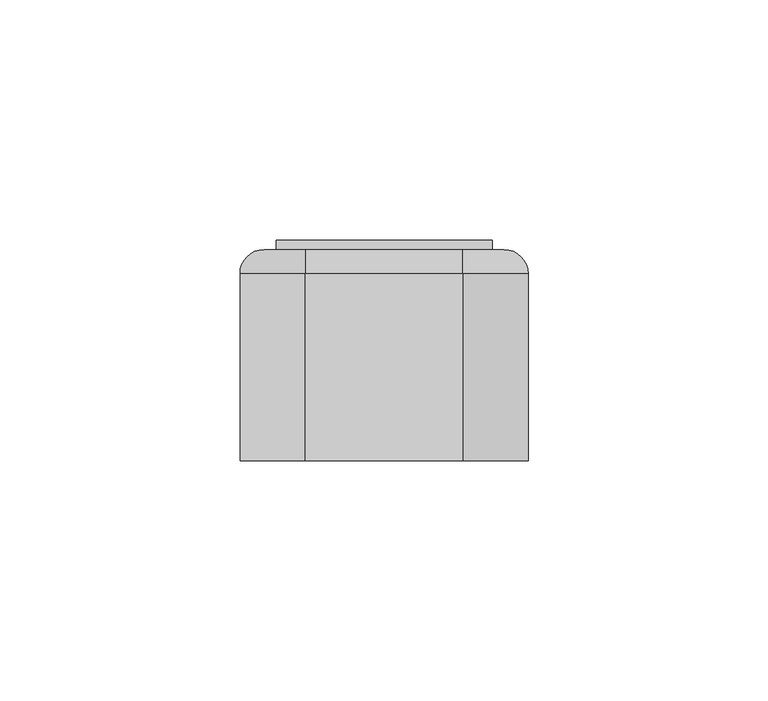
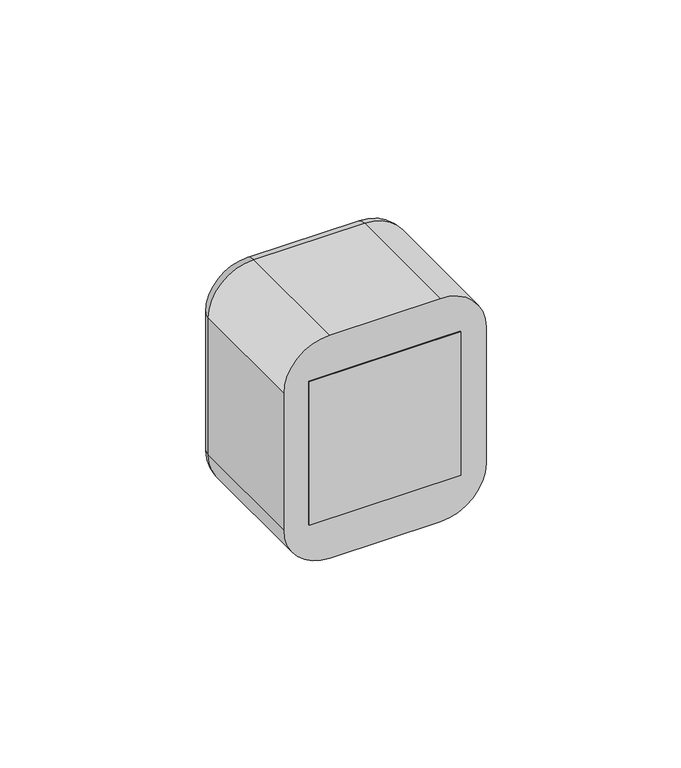
"""IFC4 building model written with IfcOpenShell, lengths in millimetres: proxy geometry."""

import ifcopenshell
import ifcopenshell.guid

model = None  # the IFC model being written
_history = None  # IfcOwnerHistory: only IFC2X3 demands one
_inside = {}  # id of a spatial element -> (the spatial element, [elements in it])
_under = {}  # id of a project, library or spatial element -> (it, [spatial elements below it])
_declared = {}  # id of a project -> (the project, [libraries it declares])
_typed = {}  # id of a type object -> (the type object, [elements of that type])
_made_of = {}  # id of a material, layer set ... -> (it, [elements and type objects made of it])


def new_model(schema):
    """Start an empty IFC model of exactly this schema.

    Asked for "IFC4X3", IfcOpenShell would pick the latest addendum, in which some entities
    have other attributes; the version numbers below select the first issue.
    IFC2X3 requires an IfcOwnerHistory on every rooted entity: one is made here for all.
    """
    global model, _history
    if schema == "IFC4X3":
        model = ifcopenshell.file(schema_version=(4, 3, 0, 0))
    else:
        model = ifcopenshell.file(schema=schema)
    _inside.clear()
    _under.clear()
    _declared.clear()
    _typed.clear()
    _made_of.clear()
    _history = None
    if model.schema == "IFC2X3":
        org = make("IfcOrganization", Name="unknown")
        user = make(
            "IfcPersonAndOrganization",
            ThePerson=make("IfcPerson", FamilyName="unknown"),
            TheOrganization=org,
        )
        app = make(
            "IfcApplication",
            ApplicationDeveloper=org,
            Version="unknown",
            ApplicationFullName="unknown",
            ApplicationIdentifier="unknown",
        )
        _history = make(
            "IfcOwnerHistory",
            OwningUser=user,
            OwningApplication=app,
            ChangeAction="ADDED",
            CreationDate=0,
        )
    return model


def make(cls, **values):
    """One entity of the class cls with the attributes given. An attribute that is None is left unset."""
    return model.create_entity(
        cls, **{name: value for name, value in values.items() if value is not None}
    )


def rooted(cls, **values):
    """An entity with a GlobalId (a new one), such as an element, a storey or a relation."""
    return make(cls, GlobalId=ifcopenshell.guid.new(), OwnerHistory=_history, **values)


def si_unit(unit_type, name, prefix=None):
    """IfcSIUnit, for example si_unit("LENGTHUNIT", "METRE", prefix="MILLI")."""
    return make("IfcSIUnit", UnitType=unit_type, Prefix=prefix, Name=name)


def assignment(units):
    """IfcUnitAssignment: the units of a project."""
    return None if units is None else make("IfcUnitAssignment", Units=units)


def point(xyz):
    """IfcCartesianPoint."""
    return None if xyz is None else make("IfcCartesianPoint", Coordinates=xyz)


def direction(xyz):
    """IfcDirection."""
    return None if xyz is None else make("IfcDirection", DirectionRatios=xyz)


def frame(location, z_axis=None, x_axis=None):
    """IfcAxis2Placement3D, a coordinate frame: its origin and axes. An axis left out is left unset."""
    return make(
        "IfcAxis2Placement3D",
        Location=point(location),
        Axis=direction(z_axis),
        RefDirection=direction(x_axis),
    )


def frame_2d(location, x_axis=None):
    """IfcAxis2Placement2D, a coordinate frame in the plane: its origin and x axis."""
    return make(
        "IfcAxis2Placement2D", Location=point(location), RefDirection=direction(x_axis)
    )


def origin():
    """The frame at (0, 0, 0) with its axes left unset."""
    return frame((0.0, 0.0, 0.0))


def origin_2d():
    """The frame at (0, 0) in the plane with its x axis left unset."""
    return frame_2d((0.0, 0.0))


def place(relative_to, where):
    """IfcLocalPlacement: puts the frame where relative to a parent placement (None: the world)."""
    return make(
        "IfcLocalPlacement", PlacementRelTo=relative_to, RelativePlacement=where
    )


def context(
    kind, dimensions, precision=None, world=None, true_north=None, identifier=None
):
    """IfcGeometricRepresentationContext, for example the 3D "Model" context."""
    return make(
        "IfcGeometricRepresentationContext",
        ContextIdentifier=identifier,
        ContextType=kind,
        CoordinateSpaceDimension=dimensions,
        Precision=precision,
        WorldCoordinateSystem=world,
        TrueNorth=true_north,
    )


def project(units=None, contexts=None):
    """IfcProject with its units and contexts."""
    return rooted(
        "IfcProject",
        Name="project",
        RepresentationContexts=contexts,
        UnitsInContext=assignment(units),
    )


def spatial(cls, under=None, at=None, **own):
    """A site, building, storey or space (cls), placed at a placement, below another one or the project."""
    s = rooted(cls, ObjectPlacement=at, **own)
    if under is not None:
        _under.setdefault(under.id(), (under, []))[1].append(s)
    return s


def polyline(points):
    """IfcPolyline through the points."""
    return make("IfcPolyline", Points=[point(p) for p in points])


def circle_curve(where, radius):
    """IfcCircle in the frame where."""
    return make("IfcCircle", Position=where, Radius=radius)


def ellipse_curve(where, semi_axis1, semi_axis2):
    """IfcEllipse in the frame where."""
    return make(
        "IfcEllipse", Position=where, SemiAxis1=semi_axis1, SemiAxis2=semi_axis2
    )


def trimmed(basis, trim1, trim2, sense, master):
    """IfcTrimmedCurve: the piece of a basis curve between two trims."""
    return make(
        "IfcTrimmedCurve",
        BasisCurve=basis,
        Trim1=trim1,
        Trim2=trim2,
        SenseAgreement=sense,
        MasterRepresentation=master,
    )


def segment(curve, same_sense, transition):
    """IfcCompositeCurveSegment."""
    return make(
        "IfcCompositeCurveSegment",
        Transition=transition,
        SameSense=same_sense,
        ParentCurve=curve,
    )


def composite_curve(segments, self_intersect=None):
    """IfcCompositeCurve: segments joined end to end."""
    return make("IfcCompositeCurve", Segments=segments, SelfIntersect=self_intersect)


def outline(outer, holes=None, kind="AREA"):
    """IfcArbitraryClosedProfileDef: a profile drawn as a closed curve; with holes, ...WithVoids."""
    if holes is None:
        return make("IfcArbitraryClosedProfileDef", ProfileType=kind, OuterCurve=outer)
    return make(
        "IfcArbitraryProfileDefWithVoids",
        ProfileType=kind,
        OuterCurve=outer,
        InnerCurves=holes,
    )


def extrude(swept, where, along, depth):
    """IfcExtrudedAreaSolid: the profile swept, set in the frame where, extruded along a direction by depth."""
    return make(
        "IfcExtrudedAreaSolid",
        SweptArea=swept,
        Position=where,
        ExtrudedDirection=direction(along),
        Depth=depth,
    )


def shape(context_of_items, identifier, shape_type, items):
    """IfcShapeRepresentation: the items that make up one representation, for example the "Body"."""
    return make(
        "IfcShapeRepresentation",
        ContextOfItems=context_of_items,
        RepresentationIdentifier=identifier,
        RepresentationType=shape_type,
        Items=items,
    )


def source(mapping_origin, context_of_items, identifier, shape_type, items):
    """IfcRepresentationMap: a shape defined once, which mapped items show again and again."""
    return make(
        "IfcRepresentationMap",
        MappingOrigin=mapping_origin,
        MappedRepresentation=shape(context_of_items, identifier, shape_type, items),
    )


def transform(
    local_origin,
    x_axis=None,
    y_axis=None,
    z_axis=None,
    scale=None,
    scale2=None,
    scale3=None,
    uniform=True,
):
    """IfcCartesianTransformationOperator3D, or its non-uniform kind. x_axis, y_axis, z_axis: its Axis1, 2, 3."""
    if uniform:
        return make(
            "IfcCartesianTransformationOperator3D",
            Axis1=direction(x_axis),
            Axis2=direction(y_axis),
            LocalOrigin=point(local_origin),
            Scale=scale,
            Axis3=direction(z_axis),
        )
    return make(
        "IfcCartesianTransformationOperator3DnonUniform",
        Axis1=direction(x_axis),
        Axis2=direction(y_axis),
        LocalOrigin=point(local_origin),
        Scale=scale,
        Axis3=direction(z_axis),
        Scale2=scale2,
        Scale3=scale3,
    )


def mapped(mapping_source, mapping_target):
    """IfcMappedItem: shows the shape of a source again, moved by a transform."""
    return make(
        "IfcMappedItem", MappingSource=mapping_source, MappingTarget=mapping_target
    )


def made_of(thing, what):
    """Note that an element or type object is made of a material, layer set ...; save() writes the relation."""
    if what is not None:
        _made_of.setdefault(what.id(), (what, []))[1].append(thing)
    return thing


def element(
    cls,
    number,
    at=None,
    inside=None,
    cuts=None,
    type_object=None,
    material=None,
    context=None,
    identifier="Body",
    shape_type=None,
    held_by="IfcProductDefinitionShape",
    body=None,
    shapes=None,
    **own,
):
    """One element of the class cls, such as IfcWall. Its Tag is "e" and its number.

    at: its placement. inside: the storey or other place that contains it. cuts: it is an
    opening in that element (IfcRelVoidsElement). A single representation is given by context,
    identifier, shape_type and body (its items); several are given by shapes. held_by: the class
    of the entity that holds the representations. save() writes the other relations.
    """
    e = rooted(cls, Tag="e%d" % number, ObjectPlacement=at, **own)
    if body is not None:
        shapes = [shape(context, identifier, shape_type, body)]
    if shapes is not None:
        e.Representation = make(held_by, Representations=shapes)
    if inside is not None:
        _inside.setdefault(inside.id(), (inside, []))[1].append(e)
    if cuts is not None:
        rooted(
            "IfcRelVoidsElement", RelatingBuildingElement=cuts, RelatedOpeningElement=e
        )
    if type_object is not None:
        _typed.setdefault(type_object.id(), (type_object, []))[1].append(e)
    return made_of(e, material)


def aggregate(whole, parts):
    """IfcRelAggregates: a whole, such as a stair, and the parts it consists of."""
    return rooted("IfcRelAggregates", RelatingObject=whole, RelatedObjects=parts)


def save(model, path):
    """Write the relations noted so far, then the file.

    IfcRelAggregates (storeys below a building ...), IfcRelContainedInSpatialStructure (elements
    in a storey), IfcRelDefinesByType, IfcRelAssociatesMaterial and IfcRelDeclares: one each for
    every whole, place, type object, material and project.
    """
    for whole, parts in _under.values():
        aggregate(whole, parts)
    for where, things in _inside.values():
        rooted(
            "IfcRelContainedInSpatialStructure",
            RelatedElements=things,
            RelatingStructure=where,
        )
    for kind, things in _typed.values():
        rooted("IfcRelDefinesByType", RelatedObjects=things, RelatingType=kind)
    for what, things in _made_of.values():
        rooted("IfcRelAssociatesMaterial", RelatedObjects=things, RelatingMaterial=what)
    for by, libraries in _declared.values():
        rooted("IfcRelDeclares", RelatingContext=by, RelatedDefinitions=libraries)
    model.write(path)


def plane_surface(at):
    """IfcPlane: the flat surface through the origin of the frame at, square to its z axis."""
    return make("IfcPlane", Position=at)


def cylinder_surface(at, radius):
    """IfcCylindricalSurface: all points at the distance radius from the z axis of the frame at."""
    return make("IfcCylindricalSurface", Position=at, Radius=radius)


def revolved_surface(curve, axis_point, axis_direction):
    """IfcSurfaceOfRevolution: the curve turned about the line through axis_point along axis_direction."""
    return make(
        "IfcSurfaceOfRevolution",
        SweptCurve=make("IfcArbitraryOpenProfileDef", ProfileType="CURVE", Curve=curve),
        AxisPosition=make("IfcAxis1Placement", Location=point(axis_point), Axis=direction(axis_direction)),
    )


def advanced_brep(points, edges, surfaces, faces):
    """IfcAdvancedBrep: a solid bounded by faces that lie on surfaces and meet in shared edges.

    An edge is (start, end): straight between two places in points (the first is 0);
    or (start, end, curve); or (start, end, curve, False) where it runs against its curve.
    A face is (place in surfaces, loops), or (place, loops, False) where it looks against
    its surface's normal. A loop lists edges by number (the first is 1), with a minus sign
    where the edge is run from its end to its start. The first loop is the outer one.
    """
    corners = [point(p) for p in points]
    vertices = [make("IfcVertexPoint", VertexGeometry=c) for c in corners]
    made = []
    for start, end, *more in edges:
        made.append(
            make(
                "IfcEdgeCurve",
                EdgeStart=vertices[start],
                EdgeEnd=vertices[end],
                EdgeGeometry=more[0] if more else make("IfcPolyline", Points=[corners[start], corners[end]]),
                SameSense=more[1] if len(more) > 1 else True,
            )
        )
    hull = []
    for where, loops, *sense in faces:
        bounds = []
        for j, loop in enumerate(loops):
            ring = [make("IfcOrientedEdge", EdgeElement=made[abs(k) - 1], Orientation=k > 0) for k in loop]
            bounds.append(
                make(
                    "IfcFaceOuterBound" if j == 0 else "IfcFaceBound",
                    Bound=make("IfcEdgeLoop", EdgeList=ring),
                    Orientation=True,
                )
            )
        hull.append(make("IfcAdvancedFace", Bounds=bounds, FaceSurface=surfaces[where], SameSense=sense[0] if sense else True))
    return make("IfcAdvancedBrep", Outer=make("IfcClosedShell", CfsFaces=hull))


def electrical_fixtures_6504e5db(model_context):
    return source(origin(), model_context, "Body", "SolidModel", [
        advanced_brep(
        [(22.5, 44.0, 22.5), (22.5, 44.0, -22.5), (-22.5, 44.0, -22.5), (-22.5, 44.0, 22.5), (-18.0, 44.0, 0.0), (18.0, 44.0, 0.0), (22.5, 36.0, 22.5), (-22.5, 36.0, 22.5), (-22.5, 36.0, -22.5), (22.5, 36.0, -22.5), (-7.0, 36.0, 0.0), (-12.0, 36.0, 0.0), (12.0, 36.0, 0.0), (7.0, 36.0, 0.0), (-18.0, 37.0, 0.0), (18.0, 37.0, 0.0), (-12.0, 37.0, 0.0), (-7.0, 37.0, 0.0), (7.0, 37.0, 0.0), (12.0, 37.0, 0.0)],
        [
            (0, 1),
            (1, 2),
            (2, 3),
            (3, 0),
            (4, 5, circle_curve(frame((0.0, 44.0, 0.0), z_axis=(0.0, -1.0, 0.0), x_axis=(1.0, 0.0, 0.0)), 18.0)),
            (5, 4, circle_curve(frame((0.0, 44.0, 0.0), z_axis=(0.0, -1.0, 0.0), x_axis=(1.0, 0.0, 0.0)), 18.0)),
            (6, 7),
            (7, 8),
            (8, 9),
            (9, 6),
            (10, 11, circle_curve(frame((-9.5, 36.0, 0.0), z_axis=(0.0, 1.0, 0.0), x_axis=(1.0, 0.0, 0.0)), 2.5)),
            (11, 10, circle_curve(frame((-9.5, 36.0, 0.0), z_axis=(0.0, 1.0, 0.0), x_axis=(1.0, 0.0, 0.0)), 2.5)),
            (12, 13, circle_curve(frame((9.5, 36.0, 0.0), z_axis=(0.0, 1.0, 0.0), x_axis=(1.0, 0.0, 0.0)), 2.5)),
            (13, 12, circle_curve(frame((9.5, 36.0, 0.0), z_axis=(0.0, 1.0, 0.0), x_axis=(1.0, 0.0, 0.0)), 2.5)),
            (3, 7),
            (6, 0),
            (2, 8),
            (1, 9),
            (14, 15, circle_curve(frame((0.0, 37.0, 0.0), z_axis=(0.0, 1.0, 0.0), x_axis=(1.0, 0.0, 0.0)), 18.0)),
            (15, 14, circle_curve(frame((0.0, 37.0, 0.0), z_axis=(0.0, 1.0, 0.0), x_axis=(1.0, 0.0, 0.0)), 18.0)),
            (16, 17, circle_curve(frame((-9.5, 37.0, 0.0), z_axis=(0.0, -1.0, 0.0), x_axis=(1.0, 0.0, 0.0)), 2.5)),
            (17, 16, circle_curve(frame((-9.5, 37.0, 0.0), z_axis=(0.0, -1.0, 0.0), x_axis=(1.0, 0.0, 0.0)), 2.5)),
            (18, 19, circle_curve(frame((9.5, 37.0, 0.0), z_axis=(0.0, -1.0, 0.0), x_axis=(1.0, 0.0, 0.0)), 2.5)),
            (19, 18, circle_curve(frame((9.5, 37.0, 0.0), z_axis=(0.0, -1.0, 0.0), x_axis=(1.0, 0.0, 0.0)), 2.5)),
            (15, 5),
            (4, 14),
            (10, 17),
            (16, 11),
            (12, 19),
            (18, 13),
        ],
        [
            plane_surface(frame((-39.0, 44.0, 22.5), z_axis=(0.0, 1.0, 0.0), x_axis=(1.0, 0.0, 0.0))),
            plane_surface(frame((-39.0, 36.0, 22.5), z_axis=(0.0, -1.0, 0.0), x_axis=(-1.0, 0.0, 0.0))),
            plane_surface(frame((22.5, 36.0, 22.5), z_axis=(0.0, 0.0, 1.0), x_axis=(0.0, 1.0, 0.0))),
            plane_surface(frame((-22.5, 36.0, 22.5), z_axis=(-1.0, 0.0, 0.0), x_axis=(0.0, 1.0, 0.0))),
            plane_surface(frame((-22.5, 36.0, -22.5), z_axis=(0.0, 0.0, -1.0), x_axis=(0.0, 1.0, 0.0))),
            plane_surface(frame((22.5, 36.0, -22.5), z_axis=(1.0, 0.0, 0.0), x_axis=(0.0, 1.0, 0.0))),
            plane_surface(frame((18.0, 37.0, 0.0), z_axis=(0.0, 1.0, 0.0), x_axis=(0.0, 0.0, 1.0))),
            revolved_surface(polyline([(18.0, 37.0, 0.0), (18.0, 44.0, 0.0)]), (0.0, 44.0, 0.0), (0.0, -1.0, 0.0)),
            revolved_surface(polyline([(-7.0, 36.0, 0.0), (-7.0, 37.0, 0.0)]), (-9.5, 37.0, 0.0), (0.0, -1.0, 0.0)),
            revolved_surface(polyline([(12.0, 36.0, 0.0), (12.0, 37.0, 0.0)]), (9.5, 36.0, 0.0), (0.0, -1.0, 0.0)),
        ],
        [
            (0, [[1, 2, 3, 4], [5, 6]]),
            (1, [[7, 8, 9, 10], [11, 12], [13, 14]]),
            (2, [[-4, 15, -7, 16]]),
            (3, [[-3, 17, -8, -15]]),
            (4, [[-2, 18, -9, -17]]),
            (5, [[-1, -16, -10, -18]]),
            (6, [[19, 20], [21, 22], [23, 24]]),
            (7, [[-20, 25, -5, 26]]),
            (7, [[-19, -26, -6, -25]]),
            (8, [[27, -21, 28, -11]]),
            (8, [[-27, -12, -28, -22]]),
            (9, [[29, -23, 30, -13]]),
            (9, [[-29, -14, -30, -24]]),
        ],
    ),
        extrude(outline(polyline([(22.5, 0.0), (-22.5, 0.0), (-22.5, 36.0), (22.5, 36.0), (22.5, 0.0)])), frame((0.0, 0.0, -22.5), z_axis=(0.0, 0.0, 1.0), x_axis=(1.0, 0.0, 0.0)), (0.0, 0.0, 1.0), 45.0),
        extrude(outline(polyline([(22.5, 44.0), (-22.5, 44.0), (-22.5, 46.0), (22.5, 46.0), (22.5, 44.0)])), frame((0.0, 0.0, -22.5), z_axis=(0.0, 0.0, 1.0), x_axis=(1.0, 0.0, 0.0)), (0.0, 0.0, 1.0), 45.0),
        extrude(outline(composite_curve([segment(polyline([(-16.0, -1.5), (-17.9373911, -1.5)]), True, "CONTINUOUS"), segment(trimmed(circle_curve(origin_2d(), 18.0), [point((-17.9373911, -1.5))], [point((-17.9373911, 1.5))], False, "CARTESIAN"), True, "CONTINUOUS"), segment(polyline([(-17.9373911, 1.5), (-16.0, 1.5), (-16.0, -1.5)]), True, "CONTINUOUS")], self_intersect=False)), frame((0.0, 37.0, 0.0), z_axis=(0.0, 1.0, 0.0), x_axis=(0.0, 0.0, 1.0)), (0.0, 0.0, 1.0), 6.0),
        extrude(outline(composite_curve([segment(polyline([(16.0, -1.5), (16.0, 1.5), (17.9373911, 1.5)]), True, "CONTINUOUS"), segment(trimmed(circle_curve(origin_2d(), 18.0), [point((17.9373911, 1.5))], [point((17.9373911, -1.5))], False, "CARTESIAN"), True, "CONTINUOUS"), segment(polyline([(17.9373911, -1.5), (16.0, -1.5)]), True, "CONTINUOUS")], self_intersect=False)), frame((0.0, 37.0, 0.0), z_axis=(0.0, 1.0, 0.0), x_axis=(0.0, 0.0, 1.0)), (0.0, 0.0, 1.0), 6.0),
        extrude(outline(composite_curve([segment(polyline([(8.2462113, 16.0), (2.0, 16.0), (2.0, 17.8885438)]), True, "CONTINUOUS"), segment(trimmed(circle_curve(origin_2d(), 18.0), [point((2.0, 17.8885438))], [point((8.2462113, 16.0))], False, "CARTESIAN"), True, "CONTINUOUS")], self_intersect=False)), frame((0.0, 37.0, 0.0), z_axis=(0.0, 1.0, 0.0), x_axis=(0.0, 0.0, 1.0)), (0.0, 0.0, 1.0), 6.0),
        extrude(outline(composite_curve([segment(trimmed(circle_curve(origin_2d(), 18.0), [point((-8.2462113, 16.0))], [point((-2.0, 17.8885438))], False, "CARTESIAN"), True, "CONTINUOUS"), segment(polyline([(-2.0, 17.8885438), (-2.0, 16.0), (-8.2462113, 16.0)]), True, "CONTINUOUS")], self_intersect=False)), frame((0.0, 37.0, 0.0), z_axis=(0.0, 1.0, 0.0), x_axis=(0.0, 0.0, 1.0)), (0.0, 0.0, 1.0), 6.0),
        extrude(outline(composite_curve([segment(polyline([(-8.2462113, -16.0), (-2.0, -16.0), (-2.0, -17.8885438)]), True, "CONTINUOUS"), segment(trimmed(circle_curve(origin_2d(), 18.0), [point((-2.0, -17.8885438))], [point((-8.2462113, -16.0))], False, "CARTESIAN"), True, "CONTINUOUS")], self_intersect=False)), frame((0.0, 37.0, 0.0), z_axis=(0.0, 1.0, 0.0), x_axis=(0.0, 0.0, 1.0)), (0.0, 0.0, 1.0), 6.0),
        extrude(outline(composite_curve([segment(trimmed(circle_curve(origin_2d(), 18.0), [point((8.2462113, -16.0))], [point((2.0, -17.8885438))], False, "CARTESIAN"), True, "CONTINUOUS"), segment(polyline([(2.0, -17.8885438), (2.0, -16.0), (8.2462113, -16.0)]), True, "CONTINUOUS")], self_intersect=False)), frame((0.0, 37.0, 0.0), z_axis=(0.0, 1.0, 0.0), x_axis=(0.0, 0.0, 1.0)), (0.0, 0.0, 1.0), 6.0),
        advanced_brep(
        [(16.4328665, 44.0, 30.0), (25.0, 44.0, 21.4328665), (25.0, 44.0, -21.4328665), (16.4328665, 44.0, -30.0), (-16.4328665, 44.0, -30.0), (-25.0, 44.0, -21.4328665), (-25.0, 44.0, 21.4328665), (-16.4328665, 44.0, 30.0), (22.5, 44.0, 22.5), (-22.5, 44.0, 22.5), (-22.5, 44.0, -22.5), (22.5, 44.0, -22.5), (-16.4328665, 0.0, 35.0), (-30.0, 0.0, 21.4328665), (-30.0, 0.0, -21.4328665), (-16.4328665, 0.0, -35.0), (16.4328665, 0.0, -35.0), (30.0, 0.0, -21.4328665), (30.0, 0.0, 21.4328665), (16.4328665, 0.0, 35.0), (22.5, 2.0, -22.5), (22.5, 2.0, 22.5), (-22.5, 2.0, -22.5), (-22.5, 2.0, 22.5), (-30.0, 39.0, 21.4328665), (-30.0, 39.0, -21.4328665), (-16.4328665, 39.0, -35.0), (16.4328665, 39.0, -35.0), (30.0, 39.0, -21.4328665), (30.0, 39.0, 21.4328665), (16.4328665, 39.0000072, 35.0), (-16.4328665, 39.0, 35.0)],
        [
            (0, 1, circle_curve(frame((16.4328665, 44.0, 21.4328665), z_axis=(0.0, 1.0, 0.0), x_axis=(0.0, 0.0, 1.0)), 8.5671335)),
            (1, 2),
            (2, 3, circle_curve(frame((16.4328665, 44.0, -21.4328665), z_axis=(0.0, 1.0, 0.0), x_axis=(1.0, 0.0, 0.0)), 8.5671335)),
            (3, 4),
            (4, 5, circle_curve(frame((-16.4328665, 44.0, -21.4328665), z_axis=(0.0, 1.0, 0.0), x_axis=(0.0, 0.0, -1.0)), 8.5671335)),
            (5, 6),
            (6, 7, circle_curve(frame((-16.4328665, 44.0, 21.4328665), z_axis=(0.0, 1.0, 0.0), x_axis=(-1.0, 0.0, 0.0)), 8.5671335)),
            (7, 0),
            (8, 9),
            (9, 10),
            (10, 11),
            (11, 8),
            (12, 13, circle_curve(frame((-16.4328665, 0.0, 21.4328665), z_axis=(0.0, -1.0, 0.0), x_axis=(1.0, 0.0, 0.0)), 13.5671335)),
            (13, 14),
            (14, 15, circle_curve(frame((-16.4328665, 0.0, -21.4328665), z_axis=(0.0, -1.0, 0.0), x_axis=(1.0, 0.0, 0.0)), 13.5671335)),
            (15, 16),
            (16, 17, circle_curve(frame((16.4328665, 0.0, -21.4328665), z_axis=(0.0, -1.0, 0.0), x_axis=(1.0, 0.0, 0.0)), 13.5671335)),
            (17, 18),
            (18, 19, circle_curve(frame((16.4328665, 0.0, 21.4328665), z_axis=(0.0, -1.0, 0.0), x_axis=(1.0, 0.0, 0.0)), 13.5671335)),
            (19, 12),
            (11, 20),
            (20, 21),
            (21, 8),
            (10, 22),
            (22, 20),
            (9, 23),
            (23, 22),
            (21, 23),
            (13, 24),
            (24, 25),
            (25, 14),
            (15, 26),
            (26, 27),
            (27, 16),
            (17, 28),
            (28, 29),
            (29, 18),
            (19, 30),
            (30, 31),
            (31, 12),
            (31, 24, circle_curve(frame((-16.4328665, 39.0, 21.4328665), z_axis=(0.0, -1.0, 0.0), x_axis=(1.0, 0.0, 0.0)), 13.5671335)),
            (25, 26, circle_curve(frame((-16.4328665, 39.0, -21.4328665), z_axis=(0.0, -1.0, 0.0), x_axis=(1.0, 0.0, 0.0)), 13.5671335)),
            (27, 28, circle_curve(frame((16.4328665, 39.0, -21.4328665), z_axis=(0.0, -1.0, 0.0), x_axis=(1.0, 0.0, 0.0)), 13.5671335)),
            (29, 30, circle_curve(frame((16.4328665, 39.0, 21.4328665), z_axis=(0.0, -1.0, 0.0), x_axis=(1.0, 0.0, 0.0)), 13.5671335)),
            (29, 1, circle_curve(frame((25.0, 39.0, 21.4328665), z_axis=(0.0, 0.0, 1.0), x_axis=(0.0, 1.0, 0.0)), 5.0)),
            (0, 30, circle_curve(frame((16.4328665, 39.0, 30.0), z_axis=(1.0, 0.0, 0.0), x_axis=(0.0, 1.0, 0.0)), 5.0)),
            (28, 2, circle_curve(frame((25.0, 39.0, -21.4328665), z_axis=(0.0, 0.0, 1.0), x_axis=(0.0, 1.0, 0.0)), 5.0)),
            (27, 3, circle_curve(frame((16.4328665, 39.0, -30.0), z_axis=(1.0, 0.0, 0.0), x_axis=(0.0, 1.0, 0.0)), 5.0)),
            (26, 4, circle_curve(frame((-16.4328665, 39.0, -30.0), z_axis=(1.0, 0.0, 0.0), x_axis=(0.0, 1.0, 0.0)), 5.0)),
            (25, 5, circle_curve(frame((-25.0, 39.0, -21.4328665), z_axis=(0.0, 0.0, -1.0), x_axis=(0.0, 1.0, 0.0)), 5.0)),
            (24, 6, circle_curve(frame((-25.0, 39.0, 21.4328665), z_axis=(0.0, 0.0, -1.0), x_axis=(0.0, 1.0, 0.0)), 5.0)),
            (31, 7, circle_curve(frame((-16.4328665, 39.0, 30.0), z_axis=(-1.0, 0.0, 0.0), x_axis=(0.0, 1.0, 0.0)), 5.0)),
        ],
        [
            plane_surface(frame((22.5, 44.0, 6.9412233), z_axis=(0.0, 1.0, 0.0), x_axis=(0.0, 0.0, 1.0))),
            plane_surface(frame((22.5, 0.0, 6.9412233), z_axis=(0.0, -1.0, 0.0), x_axis=(0.0, 0.0, -1.0))),
            plane_surface(frame((22.5, 0.0, 22.5), z_axis=(-1.0, 0.0, 0.0), x_axis=(0.0, 1.0, 0.0))),
            plane_surface(frame((22.5, 0.0, -22.5), z_axis=(0.0, 0.0, 1.0), x_axis=(0.0, 1.0, 0.0))),
            plane_surface(frame((-22.5, 0.0, -22.5), z_axis=(1.0, 0.0, 0.0), x_axis=(0.0, 1.0, 0.0))),
            plane_surface(frame((-22.5, 0.0, 22.5), z_axis=(0.0, 0.0, -1.0), x_axis=(0.0, 1.0, 0.0))),
            plane_surface(frame((-30.0, 0.0, 21.4328665), z_axis=(-1.0, 0.0, 0.0), x_axis=(0.0, 1.0, 0.0))),
            plane_surface(frame((-16.4328665, 0.0, -35.0), z_axis=(0.0, 0.0, -1.0), x_axis=(0.0, 1.0, 0.0))),
            plane_surface(frame((30.0, 0.0, -21.4328665), z_axis=(1.0, 0.0, 0.0), x_axis=(0.0, 1.0, 0.0))),
            plane_surface(frame((16.4328665, 0.0, 35.0), z_axis=(0.0, 0.0, 1.0), x_axis=(0.0, 1.0, 0.0))),
            cylinder_surface(frame((-16.4328665, 0.0, 21.4328665), z_axis=(0.0, -1.0, 0.0), x_axis=(1.0, 0.0, 0.0)), 13.5671335),
            cylinder_surface(frame((-16.4328665, 0.0, -21.4328665), z_axis=(0.0, -1.0, 0.0), x_axis=(1.0, 0.0, 0.0)), 13.5671335),
            cylinder_surface(frame((16.4328665, 0.0, -21.4328665), z_axis=(0.0, -1.0, 0.0), x_axis=(1.0, 0.0, 0.0)), 13.5671335),
            cylinder_surface(frame((16.4328665, 0.0, 21.4328665), z_axis=(0.0, -1.0, 0.0), x_axis=(1.0, 0.0, 0.0)), 13.5671335),
            plane_surface(frame((-22.5, 2.0, 31.0), z_axis=(0.0, 1.0, 0.0), x_axis=(0.0, 0.0, 1.0))),
            revolved_surface(trimmed(ellipse_curve(frame((16.4328665, 39.0, 30.0), z_axis=(-1.0, 0.0, 0.0), x_axis=(0.0, 1.0, 0.0)), 5.0, 5.0), [point((16.4328665, 39.0, 35.0))], [point((16.4328665, 44.0, 30.0))], True, "CARTESIAN"), (16.4328665, 44.0, 21.4328665), (0.0, 1.0, 0.0)),
            cylinder_surface(frame((25.0, 39.0, 21.4328665), z_axis=(0.0, 0.0, -1.0), x_axis=(0.0, 1.0, 0.0)), 5.0),
            revolved_surface(trimmed(ellipse_curve(frame((25.0, 39.0, -21.4328665), z_axis=(0.0, 0.0, 1.0), x_axis=(0.0, 1.0, 0.0)), 5.0, 5.0), [point((30.0, 39.0, -21.4328665))], [point((25.0, 44.0, -21.4328665))], True, "CARTESIAN"), (16.4328665, 44.0, -21.4328665), (0.0, 1.0, 0.0)),
            cylinder_surface(frame((16.4328665, 39.0, -30.0), z_axis=(-1.0, 0.0, 0.0), x_axis=(0.0, 1.0, 0.0)), 5.0),
            revolved_surface(trimmed(ellipse_curve(frame((-16.4328665, 39.0, -30.0), z_axis=(1.0, 0.0, 0.0), x_axis=(0.0, 1.0, 0.0)), 5.0, 5.0), [point((-16.4328665, 39.0, -35.0))], [point((-16.4328665, 44.0, -30.0))], True, "CARTESIAN"), (-16.4328665, 44.0, -21.4328665), (0.0, 1.0, 0.0)),
            cylinder_surface(frame((-25.0, 39.0, -21.4328665), z_axis=(0.0, 0.0, 1.0), x_axis=(0.0, 1.0, 0.0)), 5.0),
            revolved_surface(trimmed(ellipse_curve(frame((-25.0, 39.0, 21.4328665), z_axis=(0.0, 0.0, -1.0), x_axis=(0.0, 1.0, 0.0)), 5.0, 5.0), [point((-30.0, 39.0, 21.4328665))], [point((-25.0, 44.0, 21.4328665))], True, "CARTESIAN"), (-16.4328665, 44.0, 21.4328665), (0.0, 1.0, 0.0)),
            cylinder_surface(frame((-16.4328665, 39.0, 30.0), z_axis=(1.0, 0.0, 0.0), x_axis=(0.0, 1.0, 0.0)), 5.0),
        ],
        [
            (0, [[1, 2, 3, 4, 5, 6, 7, 8], [9, 10, 11, 12]]),
            (1, [[13, 14, 15, 16, 17, 18, 19, 20]]),
            (2, [[-12, 21, 22, 23]]),
            (3, [[-11, 24, 25, -21]]),
            (4, [[-10, 26, 27, -24]]),
            (5, [[-9, -23, 28, -26]]),
            (6, [[-14, 29, 30, 31]]),
            (7, [[-16, 32, 33, 34]]),
            (8, [[-18, 35, 36, 37]]),
            (9, [[-20, 38, 39, 40]]),
            (10, [[-13, -40, 41, -29]]),
            (11, [[-15, -31, 42, -32]]),
            (12, [[-17, -34, 43, -35]]),
            (13, [[-19, -37, 44, -38]]),
            (14, [[-22, -25, -27, -28]]),
            (15, [[45, -1, 46, -44]]),
            (16, [[-45, -36, 47, -2]]),
            (17, [[-47, -43, 48, -3]]),
            (18, [[-48, -33, 49, -4]]),
            (19, [[-49, -42, 50, -5]]),
            (20, [[-50, -30, 51, -6]]),
            (21, [[-51, -41, 52, -7]]),
            (22, [[-46, -8, -52, -39]]),
        ],
    ),
    ])


if __name__ == "__main__":
    model = new_model("IFC4")
    model_context = context("Model", 3, world=origin())
    ifc_project = project(units=[si_unit("LENGTHUNIT", "METRE", prefix="MILLI")], contexts=[model_context])
    site = spatial("IfcSite", under=ifc_project)
    building = spatial("IfcBuilding", under=site)
    placement = place(None, origin())
    electrical_fixtures_shape = electrical_fixtures_6504e5db(model_context)
    element("IfcBuildingElementProxy", 1, Name="Electrical Fixtures", at=placement, inside=building, context=model_context, shape_type="MappedRepresentation", body=[
        mapped(electrical_fixtures_shape, transform((0.0, 0.0, 0.0), x_axis=(1.0, 0.0, 0.0), y_axis=(0.0, 1.0, 0.0), z_axis=(0.0, 0.0, 1.0))),
    ])
    save(model, "model.ifc")
